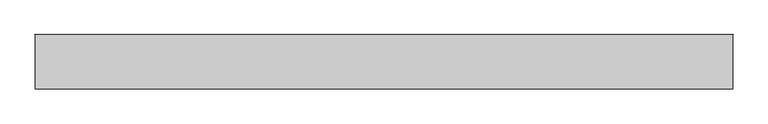
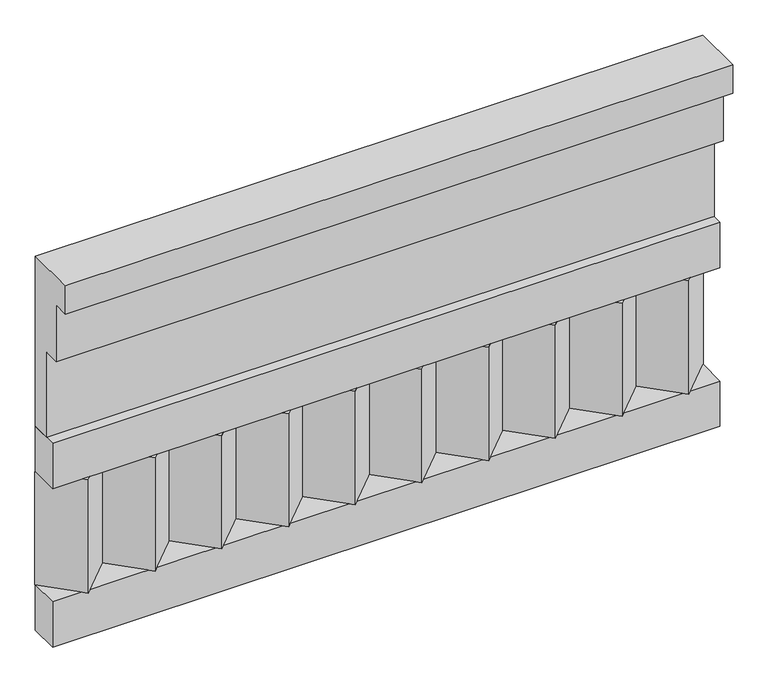
"""IFC4 building model written with IfcOpenShell, lengths in millimetres: railing geometry."""

from ifc_helpers import new_model, si_unit, frame, origin, place, context, project, spatial, polyline, outline, extrude, source, transform, mapped, element, save


def railing_d1a0566a(model_context):
    return source(origin(), model_context, "Body", "SweptSolid", [
        extrude(outline(polyline([(-16816.8920513, 25100.0), (-16816.8920513, 24650.0), (-16866.8920513, 24650.0), (-16866.8920513, 24875.0), (-16906.8920513, 24875.0), (-16906.8920513, 25025.0), (-16946.8920513, 25025.0), (-16946.8920513, 25100.0), (-16816.8920513, 25100.0)])), frame((29560.0112841, 0.0, 0.0), z_axis=(1.0, 0.0, 0.0), x_axis=(0.0, 1.0, 0.0)), (0.0, 0.0, 1.0), 1670.0),
        extrude(outline(polyline([(29560.0112841, -16891.8920513), (29560.0112841, -16816.8920513), (31230.0112841, -16816.8920513), (31230.0112841, -16891.8920513), (29560.0112841, -16891.8920513)])), frame((0.0, 0.0, 24530.0), z_axis=(0.0, 0.0, 1.0), x_axis=(1.0, 0.0, 0.0)), (0.0, 0.0, 1.0), 120.0),
        extrude(outline(polyline([(29560.0112841, -16891.8920513), (29560.0112841, -16816.8920513), (31230.0112841, -16816.8920513), (31230.0112841, -16891.8920513), (29560.0112841, -16891.8920513)])), frame((0.0, 0.0, 24110.0), z_axis=(0.0, 0.0, 1.0), x_axis=(1.0, 0.0, 0.0)), (0.0, 0.0, 1.0), 120.0),
        extrude(outline(polyline([(31146.5112841, -16901.7448651), (31061.6584704, -16816.8920513), (31231.3640978, -16816.8920513), (31146.5112841, -16901.7448651)])), frame((0.0, 0.0, 24230.0), z_axis=(0.0, 0.0, 1.0), x_axis=(1.0, 0.0, 0.0)), (0.0, 0.0, 1.0), 300.0),
        extrude(outline(polyline([(30979.5112841, -16901.7448651), (30894.6584704, -16816.8920513), (31064.3640978, -16816.8920513), (30979.5112841, -16901.7448651)])), frame((0.0, 0.0, 24230.0), z_axis=(0.0, 0.0, 1.0), x_axis=(1.0, 0.0, 0.0)), (0.0, 0.0, 1.0), 300.0),
        extrude(outline(polyline([(30812.5112841, -16901.7448651), (30727.6584704, -16816.8920513), (30897.3640978, -16816.8920513), (30812.5112841, -16901.7448651)])), frame((0.0, 0.0, 24230.0), z_axis=(0.0, 0.0, 1.0), x_axis=(1.0, 0.0, 0.0)), (0.0, 0.0, 1.0), 300.0),
        extrude(outline(polyline([(30645.5112841, -16901.7448651), (30560.6584704, -16816.8920513), (30730.3640978, -16816.8920513), (30645.5112841, -16901.7448651)])), frame((0.0, 0.0, 24230.0), z_axis=(0.0, 0.0, 1.0), x_axis=(1.0, 0.0, 0.0)), (0.0, 0.0, 1.0), 300.0),
        extrude(outline(polyline([(30478.5112841, -16901.7448651), (30393.6584704, -16816.8920513), (30563.3640978, -16816.8920513), (30478.5112841, -16901.7448651)])), frame((0.0, 0.0, 24230.0), z_axis=(0.0, 0.0, 1.0), x_axis=(1.0, 0.0, 0.0)), (0.0, 0.0, 1.0), 300.0),
        extrude(outline(polyline([(30311.5112841, -16901.7448651), (30226.6584704, -16816.8920513), (30396.3640978, -16816.8920513), (30311.5112841, -16901.7448651)])), frame((0.0, 0.0, 24230.0), z_axis=(0.0, 0.0, 1.0), x_axis=(1.0, 0.0, 0.0)), (0.0, 0.0, 1.0), 300.0),
        extrude(outline(polyline([(30144.5112841, -16901.7448651), (30059.6584704, -16816.8920513), (30229.3640978, -16816.8920513), (30144.5112841, -16901.7448651)])), frame((0.0, 0.0, 24230.0), z_axis=(0.0, 0.0, 1.0), x_axis=(1.0, 0.0, 0.0)), (0.0, 0.0, 1.0), 300.0),
        extrude(outline(polyline([(29977.5112841, -16901.7448651), (29892.6584704, -16816.8920513), (30062.3640978, -16816.8920513), (29977.5112841, -16901.7448651)])), frame((0.0, 0.0, 24230.0), z_axis=(0.0, 0.0, 1.0), x_axis=(1.0, 0.0, 0.0)), (0.0, 0.0, 1.0), 300.0),
        extrude(outline(polyline([(29810.5112841, -16901.7448651), (29725.6584704, -16816.8920513), (29895.3640978, -16816.8920513), (29810.5112841, -16901.7448651)])), frame((0.0, 0.0, 24230.0), z_axis=(0.0, 0.0, 1.0), x_axis=(1.0, 0.0, 0.0)), (0.0, 0.0, 1.0), 300.0),
        extrude(outline(polyline([(29643.5112841, -16901.7448651), (29558.6584704, -16816.8920513), (29728.3640978, -16816.8920513), (29643.5112841, -16901.7448651)])), frame((0.0, 0.0, 24230.0), z_axis=(0.0, 0.0, 1.0), x_axis=(1.0, 0.0, 0.0)), (0.0, 0.0, 1.0), 300.0),
    ])


if __name__ == "__main__":
    model = new_model("IFC4")
    model_context = context("Model", 3, world=origin())
    ifc_project = project(units=[si_unit("LENGTHUNIT", "METRE", prefix="MILLI")], contexts=[model_context])
    site = spatial("IfcSite", under=ifc_project)
    building = spatial("IfcBuilding", under=site)
    placement = place(None, origin())
    railing_shape = railing_d1a0566a(model_context)
    element("IfcRailing", 1, at=placement, inside=building, context=model_context, shape_type="MappedRepresentation", body=[
        mapped(railing_shape, transform((0.0, 0.0, 0.0), x_axis=(1.0, 0.0, 0.0), y_axis=(0.0, 1.0, 0.0), z_axis=(0.0, 0.0, 1.0))),
    ])
    save(model, "model.ifc")
